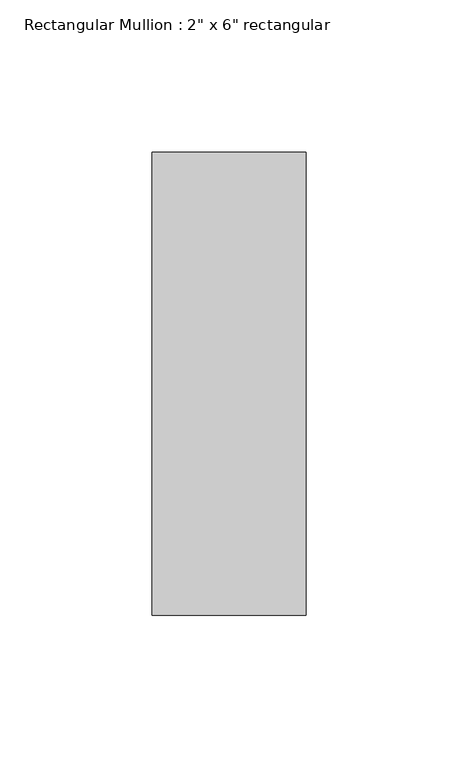
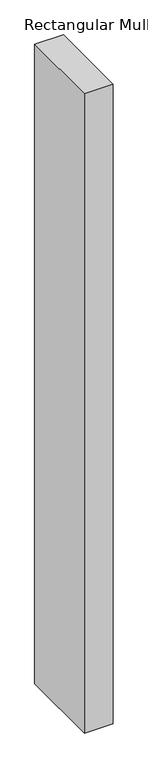
"""IFC4 building model written with IfcOpenShell, lengths in millimetres: member geometry."""

from ifc_helpers import new_model, si_unit, frame, origin, place, context, project, spatial, polyline, outline, extrude, source, transform, mapped, element, save


def member_816b6c0c(model_context):
    return source(origin(), model_context, "Body", "SweptSolid", [
        extrude(outline(polyline([(0.0, 76.2), (0.0, -76.2), (-50.8, -76.2), (-50.8, 76.2), (0.0, 76.2)])), frame((0.0, 0.0, -1193.8), z_axis=(0.0, 0.0, 1.0), x_axis=(1.0, 0.0, 0.0)), (0.0, 0.0, 1.0), 1193.8),
    ])


if __name__ == "__main__":
    model = new_model("IFC4")
    model_context = context("Model", 3, world=origin())
    ifc_project = project(units=[si_unit("LENGTHUNIT", "METRE", prefix="MILLI")], contexts=[model_context])
    site = spatial("IfcSite", under=ifc_project)
    building = spatial("IfcBuilding", under=site)
    placement = place(None, origin())
    member_shape = member_816b6c0c(model_context)
    element("IfcMember", 1, ObjectType="Rectangular Mullion : 2\" x 6\" rectangular", at=placement, inside=building, context=model_context, shape_type="MappedRepresentation", body=[
        mapped(member_shape, transform((0.0, 0.0, 0.0), x_axis=(1.0, 0.0, 0.0), y_axis=(0.0, 1.0, 0.0), z_axis=(0.0, 0.0, 1.0))),
    ])
    save(model, "model.ifc")
